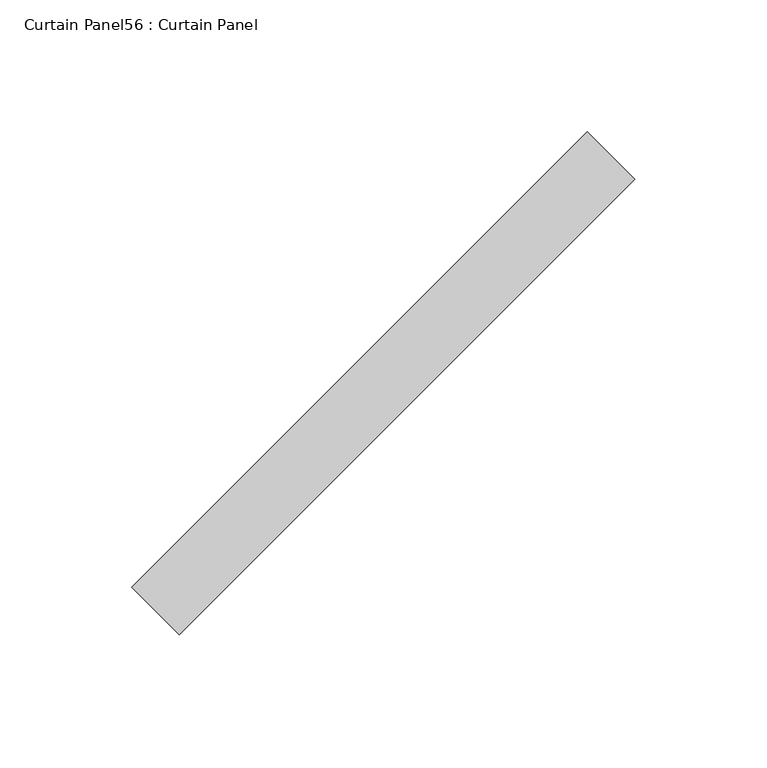
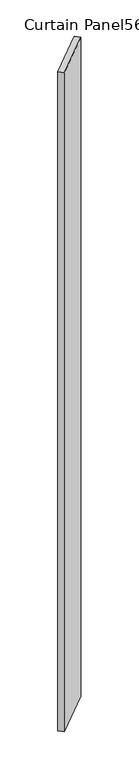
"""IFC4 building model written with IfcOpenShell, lengths in millimetres: plate geometry, Curtain Panel56 : Curtain Panel."""

from ifc_helpers import new_model, si_unit, origin, origin_with_axes, place, context, project, spatial, polyline, outline, extrude, source, transform, mapped, element, save


def curtain_panel56_curtain_panel_dffe94d2(model_context):
    return source(origin(), model_context, "Body", "SweptSolid", [
        extrude(outline(polyline([(-342590.6839252, 3222.9781642), (-342417.9674287, 3395.6946608), (-342400.0069165, 3377.7341485), (-342572.723413, 3205.017652), (-342590.6839252, 3222.9781642)])), origin_with_axes(), (0.0, 0.0, 1.0), 3048.0),
    ])


if __name__ == "__main__":
    model = new_model("IFC4")
    model_context = context("Model", 3, world=origin())
    ifc_project = project(units=[si_unit("LENGTHUNIT", "METRE", prefix="MILLI")], contexts=[model_context])
    site = spatial("IfcSite", under=ifc_project)
    building = spatial("IfcBuilding", under=site)
    placement = place(None, origin())
    curtain_panel56_curtain_panel_shape = curtain_panel56_curtain_panel_dffe94d2(model_context)
    element("IfcPlate", 1, ObjectType="Curtain Panel56 : Curtain Panel", at=placement, inside=building, context=model_context, shape_type="MappedRepresentation", body=[
        mapped(curtain_panel56_curtain_panel_shape, transform((0.0, 0.0, 0.0), x_axis=(1.0, 0.0, 0.0), y_axis=(0.0, 1.0, 0.0), z_axis=(0.0, 0.0, 1.0))),
    ])
    save(model, "model.ifc")
